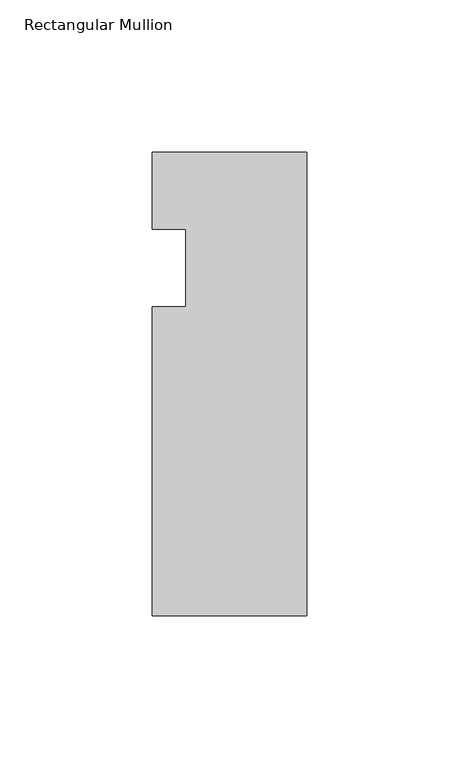
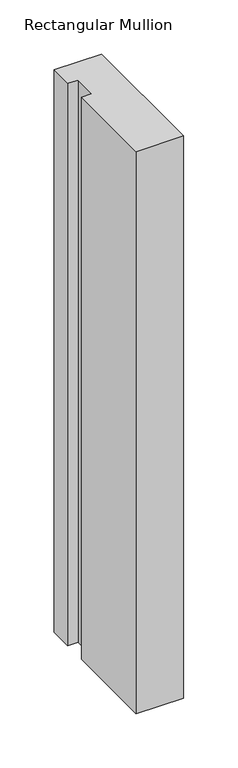
"""IFC4 building model written with IfcOpenShell, lengths in millimetres: member geometry, Rectangular Mullion."""

from ifc_helpers import new_model, si_unit, frame, origin, place, context, project, spatial, polyline, outline, extrude, source, transform, mapped, element, save


def rectangular_mullion_3751b469(model_context):
    return source(origin(), model_context, "Body", "SweptSolid", [
        extrude(outline(polyline([(0.0, 0.0), (0.0, -152.4), (-50.8, -152.4), (-50.8, -50.8), (-39.798625, -50.8), (-39.798625, -25.4), (-50.8, -25.4), (-50.8, 0.0), (0.0, 0.0)])), frame((0.0, 0.0, -635.0), z_axis=(0.0, 0.0, 1.0), x_axis=(1.0, 0.0, 0.0)), (0.0, 0.0, 1.0), 635.0),
    ])


if __name__ == "__main__":
    model = new_model("IFC4")
    model_context = context("Model", 3, world=origin())
    ifc_project = project(units=[si_unit("LENGTHUNIT", "METRE", prefix="MILLI")], contexts=[model_context])
    site = spatial("IfcSite", under=ifc_project)
    building = spatial("IfcBuilding", under=site)
    placement = place(None, origin())
    rectangular_mullion_shape = rectangular_mullion_3751b469(model_context)
    element("IfcMember", 1, ObjectType="Rectangular Mullion", at=placement, inside=building, context=model_context, shape_type="MappedRepresentation", body=[
        mapped(rectangular_mullion_shape, transform((0.0, 0.0, 0.0), x_axis=(1.0, 0.0, 0.0), y_axis=(0.0, 1.0, 0.0), z_axis=(0.0, 0.0, 1.0))),
    ])
    save(model, "model.ifc")
